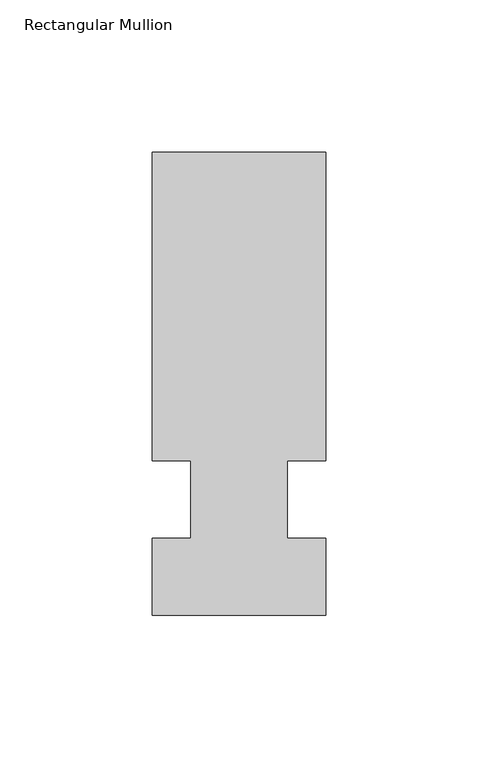
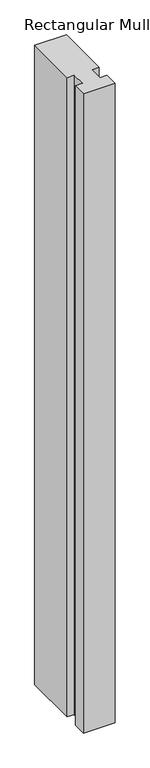
"""IFC4 building model written with IfcOpenShell, lengths in millimetres: member geometry, Rectangular Mullion."""

from ifc_helpers import new_model, si_unit, frame, origin, place, context, project, spatial, polyline, outline, extrude, source, transform, mapped, element, save


def rectangular_mullion_674089c7(model_context):
    return source(origin(), model_context, "Body", "SweptSolid", [
        extrude(outline(polyline([(32.9094027, 114.3), (32.9094027, 12.7), (20.2076322, 12.7), (20.2076322, -12.7), (32.9094027, -12.7), (32.9094027, -38.1), (-24.2405973, -38.1), (-24.2405973, -12.7), (-11.5405973, -12.7), (-11.5405973, 12.7), (-24.2405973, 12.7), (-24.2405973, 114.3), (32.9094027, 114.3)])), frame((0.0, 0.0, -1219.2), z_axis=(0.0, 0.0, 1.0), x_axis=(1.0, 0.0, 0.0)), (0.0, 0.0, 1.0), 1219.2),
    ])


if __name__ == "__main__":
    model = new_model("IFC4")
    model_context = context("Model", 3, world=origin())
    ifc_project = project(units=[si_unit("LENGTHUNIT", "METRE", prefix="MILLI")], contexts=[model_context])
    site = spatial("IfcSite", under=ifc_project)
    building = spatial("IfcBuilding", under=site)
    placement = place(None, origin())
    rectangular_mullion_shape = rectangular_mullion_674089c7(model_context)
    element("IfcMember", 1, ObjectType="Rectangular Mullion", at=placement, inside=building, context=model_context, shape_type="MappedRepresentation", body=[
        mapped(rectangular_mullion_shape, transform((0.0, 0.0, 0.0), x_axis=(1.0, 0.0, 0.0), y_axis=(0.0, 1.0, 0.0), z_axis=(0.0, 0.0, 1.0))),
    ])
    save(model, "model.ifc")
